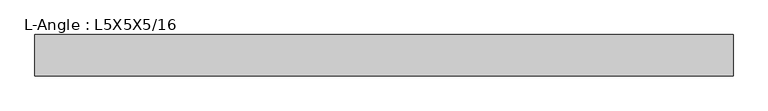
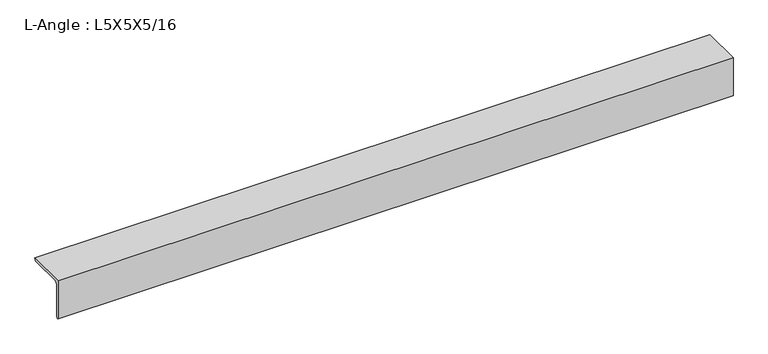
"""IFC4 building model written with IfcOpenShell, lengths in millimetres: beam geometry, L-Angle : L5X5X5/16."""

from ifc_helpers import new_model, si_unit, point, frame, frame_2d, origin, place, context, project, spatial, polyline, circle_curve, trimmed, segment, composite_curve, outline, extrude, source, transform, mapped, element, save


def l_angle_l5x5x5_16_66ec8ab4(model_context):
    return source(origin(), model_context, "Body", "SweptSolid", [
        extrude(outline(composite_curve([segment(polyline([(-34.3296875, 34.3296875), (92.6703125, 34.3296875)]), True, "CONTINUOUS"), segment(trimmed(circle_curve(frame_2d((84.7328125, 34.3296875)), 7.9375), [point((92.6703125, 34.3296875))], [point((84.7328125, 26.3921875))], False, "CARTESIAN"), True, "CONTINUOUS"), segment(polyline([(84.7328125, 26.3921875), (-18.4546875, 26.3921875)]), True, "CONTINUOUS"), segment(trimmed(circle_curve(frame_2d((-18.4546875, 18.4546875)), 7.9375), [point((-18.4546875, 26.3921875))], [point((-26.3921875, 18.4546875))], True, "CARTESIAN"), True, "CONTINUOUS"), segment(polyline([(-26.3921875, 18.4546875), (-26.3921875, -84.7328125)]), True, "CONTINUOUS"), segment(trimmed(circle_curve(frame_2d((-34.3296875, -84.7328125)), 7.9375), [point((-26.3921875, -84.7328125))], [point((-34.3296875, -92.6703125))], False, "CARTESIAN"), True, "CONTINUOUS"), segment(polyline([(-34.3296875, -92.6703125), (-34.3296875, 34.3296875)]), True, "CONTINUOUS")], self_intersect=False)), frame((-1117.8519867, 0.0, 0.0), z_axis=(1.0, 0.0, 0.0), x_axis=(0.0, 1.0, 0.0)), (0.0, 0.0, 1.0), 2139.7098327),
    ])


if __name__ == "__main__":
    model = new_model("IFC4")
    model_context = context("Model", 3, world=origin())
    ifc_project = project(units=[si_unit("LENGTHUNIT", "METRE", prefix="MILLI")], contexts=[model_context])
    site = spatial("IfcSite", under=ifc_project)
    building = spatial("IfcBuilding", under=site)
    placement = place(None, origin())
    l_angle_l5x5x5_16_shape = l_angle_l5x5x5_16_66ec8ab4(model_context)
    element("IfcBeam", 1, ObjectType="L-Angle : L5X5X5/16", at=placement, inside=building, context=model_context, shape_type="MappedRepresentation", body=[
        mapped(l_angle_l5x5x5_16_shape, transform((0.0, 0.0, 0.0), x_axis=(1.0, 0.0, 0.0), y_axis=(0.0, 1.0, 0.0), z_axis=(0.0, 0.0, 1.0))),
    ])
    save(model, "model.ifc")
